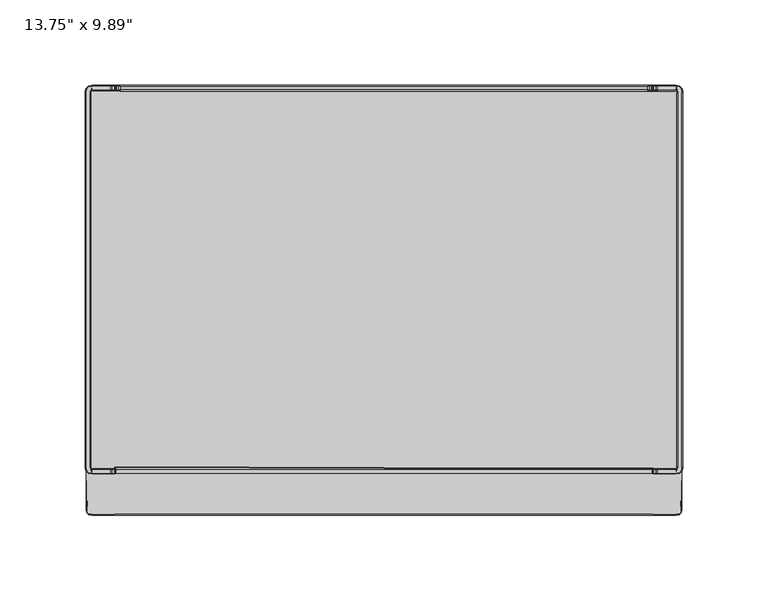
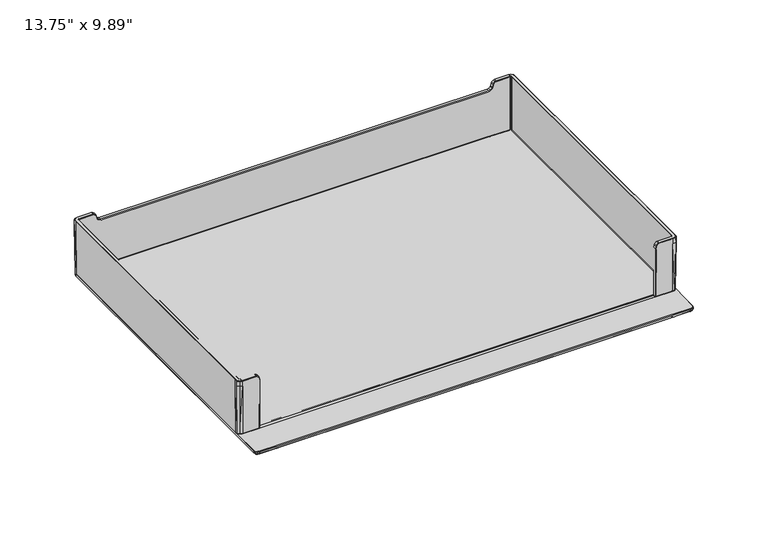
"""IFC4 building model written with IfcOpenShell, lengths in millimetres: furniture geometry."""

from ifc_helpers import new_model, si_unit, origin, place, context, project, spatial, triangles, source, transform, mapped, element, save


def furniture_eccc9e72(model_context):
    return source(origin(), model_context, "Body", "Tessellation", [
        triangles([(171.3016261, 121.6431837, 5.9516432), (171.2572974, 122.0501992, 5.9516432), (171.0652488, 122.2678458, 5.9516432), (170.7362173, 122.3143364, 5.9516432), (170.7306398, 123.075291, 50.6824851), (170.7306398, 125.1072891, 50.6824851), (160.2501931, 125.1072891, 50.6824851), (160.2501931, 123.075291, 50.6824851), (156.9591331, 125.1073164, 46.2249537), (156.9591331, 123.0753365, 46.2381842), (157.2146589, 123.0753183, 48.2696872), (157.2146589, 125.1072891, 48.2696872), (155.4329181, 125.1073164, 44.626532), (155.4329544, 123.0753546, 44.640303), (156.4023356, 123.0753365, 45.4114087), (156.4024265, 125.1073164, 45.3981147), (158.8811088, 123.075291, 50.3963833), (158.8811088, 125.1072891, 50.3963833), (157.7131568, 125.1072891, 49.4242316), (157.7131568, 123.0753183, 49.4242316), (170.7306398, 122.5673279, 46.2419403), (157.4671507, 122.567346, 46.2415225), (156.7798744, 122.567346, 45.0659402), (155.6578135, 122.5673733, 44.1734211), (154.2375514, 122.5673733, 43.8565027), (154.299121, 122.5683452, 6.2014463), (170.7361446, 122.5683452, 6.2056782), (154.1451878, 125.1073164, 44.3385227), (154.1451878, 123.0753546, 44.3525299), (157.7097413, 125.6152977, 48.1348617), (158.131427, 125.6152977, 49.1114872), (159.1088565, 125.6152977, 49.9249686), (157.3397603, 125.6152977, 46.0973362), (160.3027516, 125.6152977, 50.1744765), (170.7306398, 125.6152977, 50.1744765), (170.7306398, 125.6152977, 46.2270385), (170.7306398, 122.5673006, 50.1744765), (160.3027516, 122.5673006, 50.1744765), (159.1088565, 122.5673006, 49.9249686), (158.131427, 122.5673006, 49.1114872), (157.7096141, 122.5673006, 48.1345665), (173.0441069, 125.2399118, 46.2270385), (174.3642298, 123.7608324, 46.2270385), (174.0060031, 123.3854465, 5.9750674), (172.6858802, 124.8645169, 5.9750674), (173.0739924, 125.2399118, 50.1744765), (174.3940609, 123.7608324, 50.1744765), (171.5013595, 122.1574873, 6.2056782), (171.4953097, 122.1605667, 46.2513556), (171.1851179, 122.5095552, 46.249389), (171.1929663, 122.5069845, 6.2056782), (171.186317, 122.509746, 50.1856222), (171.4961454, 122.1611299, 50.1896736), (172.7885448, 124.8223228, 50.6842155), (171.4757797, 122.9273622, 50.691964), (171.9411219, 122.4064638, 50.6953613), (173.9530631, 123.5155803, 50.6848105), (174.5693772, 121.6465265, 46.2270385), (174.2111868, 121.6434017, 5.975127), (171.5556258, 121.6432109, 6.2056782), (171.5548265, 121.6465265, 46.2522504), (170.7358176, 125.2399118, 5.975127), (174.5992809, 121.6465265, 50.1744765), (171.5551535, 121.6465265, 50.1975401), (172.0632257, 121.6465265, 50.701679), (174.0951329, 121.6465265, 50.6863593), (-154.2313744, 125.6103471, 43.8343884), (-154.1452241, 125.1072618, 44.3385227), (154.2313562, 125.6104106, 43.8343884), (156.7800742, 125.6118095, 45.0461512), (155.657868, 125.6107649, 44.1529145), (154.1730386, 125.2224892, 4.0637256), (170.7360538, 125.2222076, 4.0784478), (170.7362173, 124.1967342, 3.0624269), (154.3452846, 124.1967342, 3.0624269), (174.1943274, 121.6432564, 4.0784478), (174.1943456, -97.6370999, 4.0784478), (173.1693355, -97.2018794, 3.0624269), (173.1692991, 121.6431837, 3.0624269), (172.669039, 124.8468126, 4.0783882), (173.9891619, 123.3677332, 4.0783882), (173.0092617, 122.9202133, 3.0624269), (172.1297369, 123.9056637, 3.0624269), (154.3452846, 122.3143364, 5.9516432), (171.3016442, -97.6370454, 5.9516432), (171.5556622, -97.6370545, 6.2056782), (-154.2991392, 122.5682907, 6.2014463), (-154.3453391, 122.3142728, 5.9516432), (174.5694135, -97.6403792, 46.2270385), (174.599299, -97.6403792, 50.1744765), (174.0951692, -97.6403792, 50.6863593), (169.750885, -95.8609547, 0.0), (168.9418137, -96.7656506, 0.0), (167.7027542, -97.2067574, 0.0), (167.7027178, 121.2128956, 0.0), (168.9417774, 120.7717979, 0.0), (169.7508486, 119.8671021, 0.0), (170.0478327, 118.9782573, 0.0), (154.2158594, 121.212932, 0.0), (157.3884673, -97.2067846, 0.0), (170.047869, -94.9721009, 0.0), (167.746556, 121.7912579, 2.8101207), (167.746556, 121.4960542, 0.2523065), (154.2162409, 121.4960542, 0.2523065), (154.2162409, 121.7912579, 2.8101207), (170.7580909, -95.0454067, 2.8118492), (170.3379858, -95.0298645, 0.2506375), (170.3379676, 119.0360027, 0.2506375), (170.7580546, 119.0515541, 2.8118492), (170.2142833, 120.1746505, 2.8098823), (169.996673, 120.0132686, 0.2526045), (169.0995257, 121.0099375, 0.2529025), (169.2166698, 121.2178735, 2.8095842), (167.9454356, 121.9784285, 3.0624269), (169.3728194, 121.4545506, 3.0624269), (170.446046, 120.3383941, 3.0624269), (170.9706325, 119.2404506, 3.0624269), (170.9706688, -95.2343033, 3.0624269), (-154.2162409, 121.7912034, 2.8101207), (-154.23003, 122.0739532, 3.0624269), (154.2299755, 122.0740168, 3.0624269), (-157.388431, -97.6370999, 5.9516432), (-157.388431, -98.3082526, 5.9516432), (-156.7051333, -98.8018998, 5.9435961), (156.7051515, -98.8018363, 5.9435961), (157.3884673, -98.3081891, 5.9516432), (157.3884673, -97.6370454, 5.9516432), (-154.3453391, 124.1966706, 3.0624269), (-154.1730386, 125.2224256, 4.0637256), (174.2112232, -97.6372544, 5.5895446), (156.9591694, -99.0691891, 46.2381842), (156.9591694, -98.8035622, 6.1975715), (156.9591694, -100.835533, 6.2287452), (156.9591694, -101.1011599, 46.2249537), (157.4671689, -98.5611987, 46.2415225), (157.3884673, -98.5621979, 6.2014463), (157.3629238, -101.2899565, 6.2270761), (157.3397966, -101.6091594, 46.0973362), (174.2112232, -122.9453117, 5.5895446), (174.1943456, -122.868118, 4.0784478), (170.7362354, -100.1905778, 3.0624269), (170.7362354, -124.632418, 3.0624269), (157.3884673, -124.632418, 3.0624269), (157.3884673, -100.1905778, 3.0624269), (173.1693355, -123.9590216, 3.0624269), (172.1297732, -124.3232527, 3.0624269), (172.1297732, -99.8995163, 3.0624269), (172.6858984, -101.1123511, 5.9750674), (172.6858984, -124.7980874, 5.9750674), (173.674083, -123.9590761, 5.9750674), (174.0584527, -99.499568, 5.9750674), (170.7358539, -101.487737, 5.975127), (170.7358539, -125.1072618, 5.975127), (157.2009788, -101.5419397, 5.9731007), (157.3596173, -125.1072618, 5.9731007), (-156.77268, -101.0879249, 5.9747103), (156.77268, -101.0878704, 5.9747103), (174.0083286, -99.3816519, 6.2290433), (172.6882057, -100.8607313, 6.2290433), (170.7357994, -101.2361172, 6.2291029), (170.7358721, -125.6152432, 5.4671167), (157.3674839, -125.6152432, 5.4650904), (157.3840526, -125.5420736, 3.9728285), (170.7361446, -125.5420736, 3.9728285), (172.2250435, -125.2329082, 3.9638282), (172.5906644, -125.306096, 5.476117), (173.3980279, -124.467012, 3.9260983), (173.554668, -124.467012, 5.4795745), (173.859882, -123.8975337, 3.9399862), (173.9035385, -123.9309892, 5.4951309), (-157.3595992, -125.1073164, 5.9731007), (-157.3674475, -125.6152977, 5.4650904), (-157.388431, -100.1906414, 3.0624269), (-170.7361991, -100.1906414, 3.0624269), (-167.9454174, -97.9723447, 3.0624269), (-157.388431, -98.0679239, 3.0624269), (-170.7361991, -97.6370999, 5.9516432), (-170.7361991, -98.3082526, 5.9516432), (-171.3016442, -97.6370999, 5.9516432), (-171.2573155, -98.0441245, 5.9516432), (-171.0652488, -98.2617711, 5.9516432), (-170.7306398, -99.0692073, 50.6824851), (-170.7306398, -101.1012053, 50.6824851), (-160.2501931, -101.1012053, 50.6824851), (-160.2501931, -99.0692073, 50.6824851), (-156.9591331, -101.1012235, 46.2249537), (-156.9591331, -99.0692527, 46.2381842), (-157.2146225, -99.0692255, 48.2696872), (-157.2146225, -101.1012053, 48.2696872), (-158.8811088, -99.0692073, 50.3963833), (-158.8811088, -101.1012053, 50.3963833), (-157.713175, -101.1012053, 49.4242316), (-157.713175, -99.0692255, 49.4242316), (-170.7306398, -98.5612441, 46.2419403), (-157.4671326, -98.5612532, 46.2415225), (-157.388431, -98.5622524, 6.2014463), (-170.7361446, -98.5622524, 6.2056782), (-157.7097413, -101.6092139, 48.1348617), (-158.131427, -101.6092139, 49.1114872), (-159.1088565, -101.6092139, 49.9249686), (-157.3397966, -101.6092139, 46.0973362), (-160.3027153, -101.6092139, 50.1744765), (-170.7306398, -101.6092139, 50.1744765), (-170.7306398, -101.6092139, 46.2270385), (-170.7306398, -98.5612169, 50.1744765), (-160.3027153, -98.5612169, 50.1744765), (-159.1088565, -98.5612169, 49.9249686), (-158.131427, -98.5612169, 49.1114872), (-157.7096141, -98.5612169, 48.1345665), (-174.0082741, -99.3817155, 6.2290433), (-172.6881693, -100.8607858, 6.2290433), (-173.0441069, -101.2338281, 46.2270385), (-174.3642117, -99.7547487, 46.2270385), (-173.0739743, -101.2338281, 50.1744765), (-174.394079, -99.7547487, 50.1744765), (-171.5013777, -98.1514036, 6.2056782), (-171.4953279, -98.154483, 46.2513556), (-171.1851179, -98.5034715, 46.249389), (-171.1929663, -98.5008917, 6.2056782), (-171.1863351, -98.5036622, 50.1856222), (-171.4961454, -98.1550371, 50.1896736), (-172.7885448, -100.8162391, 50.6842155), (-171.4757797, -98.9212694, 50.691964), (-171.9411219, -98.4003709, 50.6953613), (-173.9530631, -99.5094965, 50.6848105), (-174.211205, -97.6373089, 5.5895446), (-174.5693954, -97.6404428, 46.2270385), (-171.5556622, -97.6371181, 6.2056782), (-171.5548265, -97.6404428, 46.2522504), (-170.7357812, -101.2361808, 6.2291029), (-174.5992809, -97.6404428, 50.1744765), (-171.5551535, -97.6404428, 50.1975401), (-172.0632075, -97.6404428, 50.701679), (-174.0951329, -97.6404428, 50.6863593), (-157.3628693, -101.2900201, 6.2270761), (-170.9706506, 119.240387, 3.0624269), (-170.9706143, -95.2343669, 3.0624269), (-173.169281, -97.201943, 3.0624269), (-173.1693173, 121.6431292, 3.0624269), (-154.3453391, 121.6431292, 5.9516432), (-170.7362173, 121.6431292, 5.9516432), (-171.3016806, 121.6431292, 5.9516432), (-171.5548628, 121.6464629, 46.2522504), (-171.5551898, 121.6464629, 50.1975401), (-174.0951692, 121.6464629, 50.6863593), (-172.0632257, 121.6464629, 50.701679), (-167.7465742, -97.7851741, 2.8101207), (-167.7465742, -97.4899705, 0.2523065), (-157.388431, -97.4899705, 0.2523065), (-157.388431, -97.7851741, 2.8101207), (157.3884673, -97.4899069, 0.2523065), (157.3884673, -97.7851196, 2.8101207), (-170.2143014, -96.1685668, 2.8098823), (-169.996673, -96.0071849, 0.2526045), (-169.0995439, -97.0038446, 0.2529025), (-169.2166698, -97.2117807, 2.8095842), (-172.1297369, -99.8995708, 3.0624269), (-169.3728194, -97.4484668, 3.0624269), (-170.446046, -96.3323104, 3.0624269), (-170.7580364, -95.0454612, 2.8118492), (-170.3379676, -95.029919, 0.2506375), (-167.7027178, -97.2068119, 0.0), (-157.388431, -97.2068482, 0.0), (-170.3379858, 119.0359482, 0.2506375), (-170.0478508, 118.9781937, 0.0), (-170.0478145, -94.9721645, 0.0), (-169.7508668, -95.8610183, 0.0), (-168.9417592, -96.7657142, 0.0), (-174.1943274, -97.6371635, 4.0784478), (-174.2112413, 121.6433381, 5.975127), (-174.1943456, 121.6431928, 4.0784478), (-167.9454356, 121.978374, 3.0624269), (-170.7362173, 124.1966706, 3.0624269), (-171.5556803, 121.6431473, 6.2056782), (-170.7362173, 122.3142728, 5.9516432), (-171.0652851, 122.2677913, 5.9516432), (-171.2573519, 122.0501447, 5.9516432), (-170.730658, 123.0752275, 50.6824851), (-160.2502294, 123.0752275, 50.6824851), (-160.2502294, 125.1072255, 50.6824851), (-170.730658, 125.1072255, 50.6824851), (-156.9591694, 125.1072618, 46.2249537), (-157.2146589, 125.1072255, 48.2696872), (-157.2146589, 123.0752547, 48.2696872), (-156.9591694, 123.0752729, 46.2381842), (-155.4329544, 125.1072618, 44.626532), (-156.4024628, 125.1072618, 45.3981147), (-156.402372, 123.0752729, 45.4114087), (-155.4330089, 123.0753001, 44.640303), (-158.8811451, 123.0752275, 50.3963833), (-157.7132113, 123.0752547, 49.4242316), (-157.7132113, 125.1072255, 49.4242316), (-158.8811451, 125.1072255, 50.3963833), (-170.730658, 122.5672643, 46.2419403), (-170.7361809, 122.5682907, 6.2056782), (-154.2376059, 122.5673097, 43.8565027), (-155.6578498, 122.5673097, 44.1734211), (-156.7799289, 122.5672915, 45.0659402), (-157.4671507, 122.5672915, 46.2415225), (-154.1452241, 123.0753001, 44.3525299), (-170.730658, 125.6152432, 50.1744765), (-160.3027516, 125.6152432, 50.1744765), (-159.1088928, 125.6152432, 49.9249686), (-158.1314634, 125.6152432, 49.1114872), (-157.7097776, 125.6152432, 48.1348617), (-157.3398329, 125.6152432, 46.0973362), (-170.730658, 125.6152432, 46.2270385), (-157.7096505, 122.5672461, 48.1345665), (-158.1314634, 122.5672461, 49.1114872), (-159.1088928, 122.5672461, 49.9249686), (-160.3027516, 122.5672461, 50.1744765), (-170.730658, 122.5672461, 50.1744765), (-173.0441251, 125.2398482, 46.2270385), (-172.6859347, 124.8644624, 5.9750674), (-174.0060395, 123.3853829, 5.9750674), (-174.364248, 123.7607779, 46.2270385), (-174.3941154, 123.7607779, 50.1744765), (-173.0740106, 125.2398482, 50.1744765), (-171.501414, 122.1574328, 6.2056782), (-171.1929844, 122.5069209, 6.2056782), (-171.1851542, 122.5094916, 46.249389), (-171.4953642, 122.1605122, 46.2513556), (-171.1863715, 122.5096915, 50.1856222), (-171.4961636, 122.1610663, 50.1896736), (-172.7885811, 124.8222683, 50.6842155), (-173.9530994, 123.5155167, 50.6848105), (-171.9411401, 122.4064002, 50.6953613), (-171.475816, 122.9272986, 50.691964), (-174.5694317, 121.6464629, 46.2270385), (-170.7358357, 125.2398482, 5.975127), (-174.599299, 121.6464629, 50.1744765), (-155.657868, 125.6107104, 44.1529145), (-156.7801105, 125.611755, 45.0461512), (-170.7360901, 125.222144, 4.0784478), (-172.6690571, 124.8467581, 4.0783882), (-172.1297732, 123.9056092, 3.0624269), (-173.009298, 122.9201588, 3.0624269), (-173.9891619, 123.3676787, 4.0783882), (154.3452846, 121.6431837, 5.9516432), (-169.7509031, 119.8670385, 0.0), (-168.9417955, 120.7717343, 0.0), (-167.7027542, 121.2128411, 0.0), (-154.2158594, 121.2128684, 0.0), (-167.7466105, 121.7912034, 2.8101207), (-154.2162409, 121.4959906, 0.2523065), (-167.7466105, 121.4959906, 0.2523065), (-170.7580728, 119.0514905, 2.8118492), (-170.2143378, 120.1745869, 2.8098823), (-169.2166879, 121.2178099, 2.8095842), (-169.0995621, 121.009883, 0.2529025), (-169.9966912, 120.0132051, 0.2526045), (-169.3728557, 121.4544961, 3.0624269), (-170.4460642, 120.3383396, 3.0624269), (157.3884673, -98.0678603, 3.0624269), (-156.9591331, -100.8355875, 6.2287452), (-156.9591331, -98.8036258, 6.1975715), (-174.1943274, -122.8681816, 4.0784478), (-174.211205, -122.9453662, 5.5895446), (-157.388431, -124.6324816, 3.0624269), (-170.7361991, -124.6324816, 3.0624269), (-173.169281, -123.9590761, 3.0624269), (-172.1297369, -124.3233072, 3.0624269), (-172.6858984, -101.1124147, 5.9750674), (-174.0584345, -99.4996316, 5.9750674), (-173.6740648, -123.9591397, 5.9750674), (-172.6858984, -124.798151, 5.9750674), (-170.7357994, -101.4878006, 5.975127), (-170.7357994, -125.1073164, 5.975127), (-157.2009424, -101.5419942, 5.9731007), (-170.7358721, -125.6152977, 5.4671167), (-170.7361264, -125.5421372, 3.9728285), (-157.3839981, -125.5421372, 3.9728285), (-172.5906281, -125.3061596, 5.476117), (-172.2250072, -125.2329628, 3.9638282), (-173.5546317, -124.4670756, 5.4795745), (-173.3979916, -124.4670756, 3.9260983), (-173.9035021, -123.9310528, 5.4951309), (-173.8598638, -123.8975973, 3.9399862), (167.9454537, -97.9722902, 3.0624269), (170.7362354, -98.3081891, 5.9516432), (170.7362354, -97.6370454, 5.9516432), (171.0652851, -98.2617166, 5.9516432), (171.2573337, -98.04407, 5.9516432), (170.730658, -99.0691528, 50.6824851), (160.2502294, -99.0691528, 50.6824851), (160.2502294, -101.1011418, 50.6824851), (170.730658, -101.1011418, 50.6824851), (157.2146952, -101.1011418, 48.2696872), (157.2146952, -99.0691619, 48.2696872), (158.8811451, -99.0691528, 50.3963833), (157.7131931, -99.0691619, 49.4242316), (157.7131931, -101.1011418, 49.4242316), (158.8811451, -101.1011418, 50.3963833), (170.730658, -98.5611805, 46.2419403), (170.7361809, -98.5621979, 6.2056782), (170.730658, -101.6091594, 50.1744765), (160.3027698, -101.6091594, 50.1744765), (159.1088928, -101.6091594, 49.9249686), (158.1314634, -101.6091594, 49.1114872), (157.7097595, -101.6091594, 48.1348617), (170.730658, -101.6091594, 46.2270385), (157.7096505, -98.5611533, 48.1345665), (158.1314634, -98.5611533, 49.1114872), (159.1088928, -98.5611533, 49.9249686), (160.3027698, -98.5611533, 50.1744765), (170.730658, -98.5611533, 50.1744765), (174.364248, -99.7546942, 46.2270385), (173.0441251, -101.2337645, 46.2270385), (174.394079, -99.7546942, 50.1744765), (173.0740288, -101.2337645, 50.1744765), (171.5013777, -98.15134, 6.2056782), (171.1929844, -98.5008372, 6.2056782), (171.1851542, -98.5034079, 46.249389), (171.4953279, -98.1544285, 46.2513556), (171.1863351, -98.5036077, 50.1856222), (171.4961636, -98.1549735, 50.1896736), (172.7885811, -100.8161755, 50.6842155), (173.9530994, -99.509433, 50.6848105), (171.9411401, -98.4003073, 50.6953613), (171.475816, -98.9212058, 50.691964), (171.5548446, -97.6403792, 46.2522504), (171.5551716, -97.6403792, 50.1975401), (172.0632438, -97.6403792, 50.701679), (170.7362173, 121.6431837, 5.9516432), (167.7465923, -97.7851196, 2.8101207), (167.7465923, -97.4899069, 0.2523065), (170.2143014, -96.1685032, 2.8098823), (169.2167061, -97.2117171, 2.8095842), (169.0995621, -97.0037901, 0.2529025), (169.9966912, -96.0071213, 0.2526045), (169.3728375, -97.4484123, 3.0624269), (170.4460824, -96.3322559, 3.0624269)], [[1, 2, 3], [4, 1, 3], [5, 6, 7], [7, 8, 5], [9, 10, 11], [11, 12, 9], [13, 14, 15], [15, 16, 13], [17, 18, 19], [19, 20, 17], [21, 22, 23], [21, 23, 24], [24, 25, 26], [21, 24, 26], [21, 26, 27], [28, 29, 14], [14, 13, 28], [8, 7, 18], [18, 17, 8], [16, 15, 10], [10, 9, 16], [20, 19, 12], [12, 11, 20], [30, 31, 32], [33, 30, 32], [32, 34, 35], [33, 32, 35], [36, 33, 35], [22, 21, 37], [22, 37, 38], [38, 39, 40], [22, 38, 40], [22, 40, 41], [42, 43, 44], [44, 45, 42], [42, 46, 47], [47, 43, 42], [48, 49, 50], [50, 51, 48], [52, 50, 49], [49, 53, 52], [54, 55, 56], [56, 57, 54], [43, 58, 59], [59, 44, 43], [36, 35, 46], [46, 42, 36], [60, 61, 49], [49, 48, 60], [37, 21, 50], [50, 52, 37], [6, 5, 55], [55, 54, 6], [36, 42, 45], [45, 62, 36], [43, 47, 63], [63, 58, 43], [51, 50, 21], [21, 27, 51], [53, 49, 61], [61, 64, 53], [57, 56, 65], [65, 66, 57], [67, 68, 28], [28, 69, 67], [35, 34, 7], [7, 6, 35], [30, 33, 9], [9, 12, 30], [22, 41, 11], [11, 10, 22], [38, 37, 5], [5, 8, 38], [13, 16, 70], [70, 71, 13], [19, 18, 32], [32, 31, 19], [24, 23, 15], [15, 14, 24], [17, 20, 40], [40, 39, 17], [71, 69, 28], [28, 13, 71], [12, 19, 31], [31, 30, 12], [23, 22, 10], [10, 15, 23], [8, 17, 39], [39, 38, 8], [16, 9, 33], [33, 70, 16], [18, 7, 34], [34, 32, 18], [25, 24, 14], [14, 29, 25], [20, 11, 41], [41, 40, 20], [54, 57, 47], [47, 46, 54], [52, 53, 56], [56, 55, 52], [57, 66, 63], [63, 47, 57], [53, 64, 65], [65, 56, 53], [6, 54, 46], [46, 35, 6], [55, 5, 37], [37, 52, 55], [72, 73, 74], [74, 75, 72], [76, 77, 78], [78, 79, 76], [80, 81, 82], [82, 83, 80], [73, 80, 83], [83, 74, 73], [81, 76, 79], [79, 82, 81], [62, 73, 72], [36, 62, 72], [72, 69, 71], [72, 71, 70], [36, 72, 70], [33, 36, 70], [27, 26, 84], [84, 4, 27], [60, 1, 85], [85, 86, 60], [87, 88, 84], [84, 26, 87], [48, 51, 3], [3, 2, 48], [60, 48, 2], [2, 1, 60], [51, 27, 4], [4, 3, 51], [89, 58, 63], [63, 90, 89], [91, 90, 63], [63, 66, 91], [92, 93, 94], [95, 96, 97], [95, 97, 98], [99, 95, 98], [100, 99, 98], [94, 100, 98], [92, 94, 98], [101, 92, 98], [102, 103, 104], [104, 105, 102], [106, 107, 108], [108, 109, 106], [110, 111, 112], [112, 113, 110], [83, 82, 79], [74, 83, 79], [114, 74, 79], [115, 114, 79], [116, 115, 79], [117, 116, 79], [109, 108, 111], [111, 110, 109], [113, 112, 103], [103, 102, 113], [117, 118, 106], [106, 109, 117], [105, 119, 120], [120, 121, 105], [102, 105, 121], [121, 114, 102], [115, 116, 110], [110, 113, 115], [114, 115, 113], [113, 102, 114], [116, 117, 109], [109, 110, 116], [95, 99, 104], [104, 103, 95], [112, 111, 97], [97, 96, 112], [103, 112, 96], [96, 95, 103], [111, 108, 98], [98, 97, 111], [122, 123, 124], [122, 124, 125], [122, 125, 126], [122, 126, 127], [128, 75, 121], [121, 120, 128], [129, 72, 75], [75, 128, 129], [59, 58, 89], [89, 130, 59], [80, 45, 44], [44, 81, 80], [81, 44, 59], [59, 76, 81], [73, 62, 45], [45, 80, 73], [131, 132, 133], [133, 134, 131], [131, 135, 136], [136, 132, 131], [134, 133, 137], [137, 138, 134], [130, 139, 140], [140, 77, 130], [141, 142, 143], [143, 144, 141], [77, 140, 145], [145, 78, 77], [78, 145, 146], [146, 147, 78], [147, 146, 142], [142, 141, 147], [148, 149, 150], [150, 151, 148], [130, 151, 150], [150, 139, 130], [152, 153, 149], [149, 148, 152], [154, 155, 153], [153, 152, 154], [124, 156, 157], [157, 125, 124], [158, 151, 130], [132, 136, 126], [126, 125, 132], [158, 159, 148], [148, 151, 158], [159, 160, 152], [152, 148, 159], [160, 137, 154], [154, 152, 160], [133, 132, 125], [125, 157, 133], [137, 133, 157], [157, 154, 137], [161, 162, 163], [163, 164, 161], [161, 164, 165], [165, 166, 161], [166, 165, 167], [167, 168, 166], [167, 169, 170], [170, 168, 167], [140, 139, 170], [170, 169, 140], [143, 142, 164], [164, 163, 143], [145, 140, 169], [169, 167, 145], [146, 145, 167], [167, 165, 146], [142, 146, 165], [165, 164, 142], [150, 149, 166], [166, 168, 150], [139, 150, 168], [168, 170, 139], [149, 153, 161], [161, 166, 149], [153, 155, 162], [162, 161, 153], [171, 172, 162], [162, 155, 171], [173, 174, 175], [175, 176, 173], [123, 122, 177], [177, 178, 123], [178, 177, 179], [179, 180, 181], [178, 179, 181], [182, 183, 184], [184, 185, 182], [186, 187, 188], [188, 189, 186], [190, 191, 192], [192, 193, 190], [194, 195, 196], [196, 197, 194], [185, 184, 191], [191, 190, 185], [193, 192, 189], [189, 188, 193], [198, 199, 200], [201, 198, 200], [200, 202, 203], [201, 200, 203], [204, 201, 203], [195, 194, 205], [195, 205, 206], [206, 207, 208], [195, 206, 208], [195, 208, 209], [210, 211, 212], [212, 213, 210], [212, 214, 215], [215, 213, 212], [216, 217, 218], [218, 219, 216], [220, 218, 217], [217, 221, 220], [222, 223, 224], [224, 225, 222], [226, 210, 213], [213, 227, 226], [204, 203, 214], [214, 212, 204], [228, 229, 217], [217, 216, 228], [205, 194, 218], [218, 220, 205], [183, 182, 223], [223, 222, 183], [211, 230, 204], [204, 212, 211], [213, 215, 231], [231, 227, 213], [219, 218, 194], [194, 197, 219], [221, 217, 229], [229, 232, 221], [225, 224, 233], [233, 234, 225], [203, 202, 184], [184, 183, 203], [198, 201, 186], [186, 189, 198], [195, 209, 188], [188, 187, 195], [206, 205, 182], [182, 185, 206], [192, 191, 200], [200, 199, 192], [190, 193, 208], [208, 207, 190], [189, 192, 199], [199, 198, 189], [185, 190, 207], [207, 206, 185], [191, 184, 202], [202, 200, 191], [193, 188, 209], [209, 208, 193], [222, 225, 215], [215, 214, 222], [220, 221, 224], [224, 223, 220], [225, 234, 231], [231, 215, 225], [221, 232, 233], [233, 224, 221], [183, 222, 214], [214, 203, 183], [223, 182, 205], [205, 220, 223], [204, 230, 235], [235, 201, 204], [197, 196, 123], [123, 178, 197], [216, 219, 181], [181, 180, 216], [228, 216, 180], [180, 179, 228], [219, 197, 178], [178, 181, 219], [236, 237, 238], [238, 239, 236], [240, 241, 177], [177, 122, 240], [241, 242, 179], [179, 177, 241], [243, 244, 232], [232, 229, 243], [245, 234, 233], [233, 246, 245], [246, 233, 232], [232, 244, 246], [247, 248, 249], [249, 250, 247], [249, 251, 252], [252, 250, 249], [253, 254, 255], [255, 256, 253], [174, 257, 238], [175, 174, 238], [258, 175, 238], [259, 258, 238], [237, 259, 238], [260, 261, 254], [254, 253, 260], [256, 255, 248], [248, 247, 256], [247, 250, 176], [176, 175, 247], [258, 259, 253], [253, 256, 258], [175, 258, 256], [256, 247, 175], [259, 237, 260], [260, 253, 259], [262, 263, 249], [249, 248, 262], [261, 264, 265], [265, 266, 261], [255, 254, 267], [267, 268, 255], [248, 255, 268], [268, 262, 248], [254, 261, 266], [266, 267, 254], [269, 226, 270], [270, 271, 269], [128, 120, 272], [272, 273, 128], [229, 228, 274], [274, 243, 229], [88, 275, 241], [241, 240, 88], [276, 277, 242], [275, 276, 242], [275, 242, 241], [278, 279, 280], [280, 281, 278], [282, 283, 284], [284, 285, 282], [286, 287, 288], [288, 289, 286], [290, 291, 292], [292, 293, 290], [294, 295, 87], [87, 296, 297], [294, 87, 297], [294, 297, 298], [294, 298, 299], [68, 286, 289], [289, 300, 68], [279, 290, 293], [293, 280, 279], [287, 282, 285], [285, 288, 287], [291, 284, 283], [283, 292, 291], [301, 302, 303], [303, 304, 305], [303, 305, 306], [301, 303, 306], [307, 301, 306], [299, 308, 309], [309, 310, 311], [299, 309, 311], [299, 311, 312], [299, 312, 294], [313, 314, 315], [315, 316, 313], [313, 316, 317], [317, 318, 313], [319, 320, 321], [321, 322, 319], [323, 324, 322], [322, 321, 323], [325, 326, 327], [327, 328, 325], [316, 315, 270], [270, 329, 316], [307, 313, 318], [318, 301, 307], [274, 319, 322], [322, 243, 274], [312, 323, 321], [321, 294, 312], [281, 325, 328], [328, 278, 281], [307, 330, 314], [314, 313, 307], [316, 329, 331], [331, 317, 316], [320, 295, 294], [294, 321, 320], [324, 244, 243], [243, 322, 324], [326, 245, 246], [246, 327, 326], [301, 281, 280], [280, 302, 301], [305, 283, 282], [282, 306, 305], [299, 285, 284], [284, 308, 299], [311, 279, 278], [278, 312, 311], [286, 332, 333], [333, 287, 286], [292, 304, 303], [303, 293, 292], [297, 289, 288], [288, 298, 297], [290, 310, 309], [309, 291, 290], [332, 286, 68], [68, 67, 332], [283, 305, 304], [304, 292, 283], [298, 288, 285], [285, 299, 298], [279, 311, 310], [310, 290, 279], [287, 333, 306], [306, 282, 287], [293, 303, 302], [302, 280, 293], [296, 300, 289], [289, 297, 296], [291, 309, 308], [308, 284, 291], [325, 318, 317], [317, 326, 325], [323, 328, 327], [327, 324, 323], [326, 317, 331], [331, 245, 326], [324, 327, 246], [246, 244, 324], [281, 301, 318], [318, 325, 281], [328, 323, 312], [312, 278, 328], [129, 128, 273], [273, 334, 129], [271, 239, 238], [238, 269, 271], [335, 336, 337], [337, 338, 335], [334, 273, 336], [336, 335, 334], [338, 337, 239], [239, 271, 338], [332, 67, 129], [333, 332, 129], [129, 334, 330], [129, 330, 307], [333, 129, 307], [306, 333, 307], [295, 275, 88], [88, 87, 295], [179, 242, 274], [274, 228, 179], [319, 277, 276], [276, 320, 319], [274, 242, 277], [277, 319, 274], [320, 276, 275], [275, 295, 320], [240, 339, 84], [84, 88, 240], [331, 329, 227], [227, 231, 331], [331, 231, 234], [234, 245, 331], [340, 341, 342], [265, 340, 342], [265, 342, 343], [265, 343, 263], [265, 263, 262], [262, 268, 267], [265, 262, 267], [265, 267, 266], [99, 100, 263], [263, 343, 99], [344, 119, 345], [345, 346, 344], [105, 104, 345], [345, 119, 105], [264, 261, 260], [260, 347, 264], [348, 349, 350], [350, 351, 348], [239, 337, 336], [239, 336, 273], [239, 273, 272], [239, 272, 352], [239, 352, 353], [236, 239, 353], [347, 348, 351], [351, 264, 347], [349, 344, 346], [346, 350, 349], [260, 237, 236], [236, 347, 260], [344, 272, 120], [120, 119, 344], [352, 349, 348], [348, 353, 352], [272, 344, 349], [349, 352, 272], [353, 348, 347], [347, 236, 353], [342, 346, 345], [345, 343, 342], [345, 104, 99], [99, 343, 345], [350, 341, 340], [340, 351, 350], [346, 342, 341], [341, 350, 346], [351, 340, 265], [265, 264, 351], [176, 250, 252], [252, 354, 176], [296, 25, 29], [29, 300, 296], [227, 329, 270], [270, 226, 227], [335, 338, 315], [315, 314, 335], [338, 271, 270], [270, 315, 338], [334, 335, 314], [314, 330, 334], [187, 186, 355], [355, 356, 187], [187, 356, 196], [196, 195, 187], [186, 201, 235], [235, 355, 186], [226, 269, 357], [357, 358, 226], [174, 173, 359], [359, 360, 174], [173, 144, 143], [143, 359, 173], [269, 238, 361], [361, 357, 269], [238, 257, 362], [362, 361, 238], [257, 174, 360], [360, 362, 257], [363, 364, 365], [365, 366, 363], [226, 358, 365], [365, 364, 226], [367, 363, 366], [366, 368, 367], [369, 367, 368], [368, 171, 369], [210, 226, 364], [356, 124, 123], [123, 196, 356], [210, 364, 363], [363, 211, 210], [211, 363, 367], [367, 230, 211], [230, 367, 369], [369, 235, 230], [355, 156, 124], [124, 356, 355], [235, 369, 156], [156, 355, 235], [155, 154, 157], [171, 155, 157], [369, 171, 157], [156, 369, 157], [370, 371, 372], [372, 172, 370], [370, 373, 374], [374, 371, 370], [373, 375, 376], [376, 374, 373], [376, 375, 377], [377, 378, 376], [172, 372, 163], [163, 162, 172], [357, 378, 377], [377, 358, 357], [359, 372, 371], [371, 360, 359], [143, 163, 372], [372, 359, 143], [361, 376, 378], [378, 357, 361], [362, 374, 376], [376, 361, 362], [360, 371, 374], [374, 362, 360], [365, 375, 373], [373, 366, 365], [358, 377, 375], [375, 365, 358], [366, 373, 370], [370, 368, 366], [368, 370, 172], [172, 171, 368], [144, 173, 176], [176, 354, 144], [144, 354, 379], [379, 141, 144], [126, 380, 381], [381, 127, 126], [382, 383, 85], [380, 382, 85], [380, 85, 381], [384, 385, 386], [386, 387, 384], [134, 388, 389], [389, 131, 134], [390, 391, 392], [392, 393, 390], [394, 395, 136], [136, 135, 394], [385, 390, 393], [393, 386, 385], [391, 389, 388], [388, 392, 391], [396, 397, 398], [398, 399, 400], [398, 400, 138], [396, 398, 138], [401, 396, 138], [135, 402, 403], [403, 404, 405], [135, 403, 405], [135, 405, 406], [135, 406, 394], [158, 407, 408], [408, 159, 158], [408, 407, 409], [409, 410, 408], [411, 412, 413], [413, 414, 411], [415, 416, 414], [414, 413, 415], [417, 418, 419], [419, 420, 417], [130, 89, 407], [407, 158, 130], [401, 408, 410], [410, 396, 401], [86, 411, 414], [414, 421, 86], [406, 415, 413], [413, 394, 406], [387, 417, 420], [420, 384, 387], [159, 408, 401], [401, 160, 159], [407, 89, 90], [90, 409, 407], [412, 395, 394], [394, 413, 412], [416, 422, 421], [421, 414, 416], [418, 91, 423], [423, 419, 418], [396, 387, 386], [386, 397, 396], [400, 388, 134], [134, 138, 400], [135, 131, 389], [389, 402, 135], [405, 385, 384], [384, 406, 405], [392, 399, 398], [398, 393, 392], [390, 404, 403], [403, 391, 390], [388, 400, 399], [399, 392, 388], [385, 405, 404], [404, 390, 385], [393, 398, 397], [397, 386, 393], [391, 403, 402], [402, 389, 391], [417, 410, 409], [409, 418, 417], [415, 420, 419], [419, 416, 415], [418, 409, 90], [90, 91, 418], [416, 419, 423], [423, 422, 416], [387, 396, 410], [410, 417, 387], [420, 415, 406], [406, 384, 420], [401, 138, 137], [137, 160, 401], [395, 380, 126], [126, 136, 395], [411, 383, 382], [382, 412, 411], [86, 85, 383], [383, 411, 86], [412, 382, 380], [380, 395, 412], [78, 118, 117], [117, 79, 78], [381, 424, 339], [339, 127, 381], [85, 1, 424], [424, 381, 85], [422, 64, 61], [61, 421, 422], [423, 91, 66], [66, 65, 423], [422, 423, 65], [65, 64, 422], [425, 252, 251], [251, 426, 425], [427, 428, 429], [429, 430, 427], [78, 147, 141], [78, 141, 379], [78, 379, 431], [78, 431, 432], [118, 78, 432], [106, 427, 430], [430, 107, 106], [428, 425, 426], [426, 429, 428], [425, 379, 354], [354, 252, 425], [431, 428, 427], [427, 432, 431], [379, 425, 428], [428, 431, 379], [432, 427, 106], [106, 118, 432], [94, 426, 251], [251, 100, 94], [251, 249, 263], [263, 100, 251], [98, 108, 107], [107, 101, 98], [429, 93, 92], [92, 430, 429], [426, 94, 93], [93, 429, 426], [430, 92, 101], [101, 107, 430], [68, 300, 29], [29, 28, 68], [129, 67, 69], [69, 72, 129], [59, 130, 77], [77, 76, 59], [75, 74, 114], [114, 121, 75], [25, 296, 87], [87, 26, 25], [60, 86, 421], [421, 61, 60], [84, 339, 424], [424, 4, 84], [339, 240, 122], [122, 127, 339], [4, 424, 1]]),
    ])


if __name__ == "__main__":
    model = new_model("IFC4")
    model_context = context("Model", 3, world=origin())
    ifc_project = project(units=[si_unit("LENGTHUNIT", "METRE", prefix="MILLI")], contexts=[model_context])
    site = spatial("IfcSite", under=ifc_project)
    building = spatial("IfcBuilding", under=site)
    placement = place(None, origin())
    furniture_shape = furniture_eccc9e72(model_context)
    element("IfcFurniture", 1, ObjectType="13.75\" x 9.89\"", at=placement, inside=building, context=model_context, shape_type="MappedRepresentation", body=[
        mapped(furniture_shape, transform((0.0, 0.0, 0.0), x_axis=(1.0, 0.0, 0.0), y_axis=(0.0, 1.0, 0.0), z_axis=(0.0, 0.0, 1.0))),
    ])
    save(model, "model.ifc")
